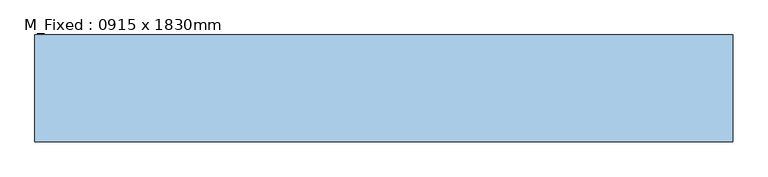
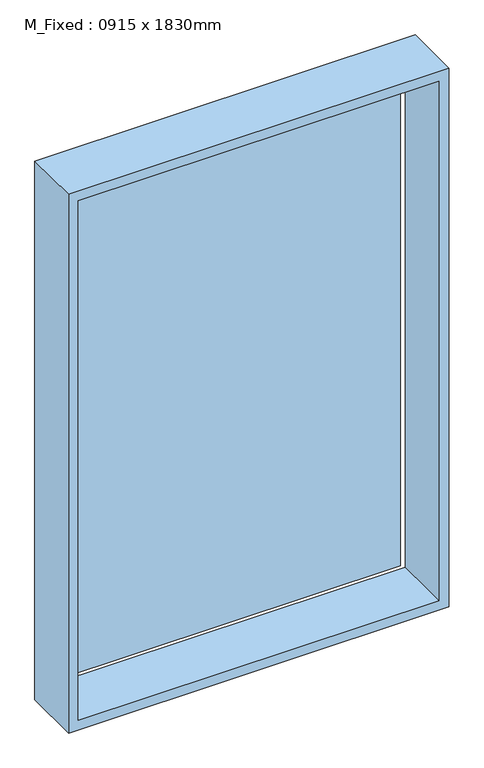
"""IFC4 building model written with IfcOpenShell, lengths in millimetres: window geometry, M_Fixed : 0915 x 1830mm."""

from ifc_helpers import new_model, si_unit, frame, origin, place, context, project, spatial, polyline, outline, extrude, source, transform, mapped, element, save


def m_fixed_0915_x_1830mm_ebc313c0(model_context):
    return source(origin(), model_context, "Body", "SweptSolid", [
        extrude(outline(polyline([(-734.3441477, 36.9934959), (394.5, 36.9934959), (394.5, 24.9934959), (-734.3441477, 24.9934959), (-734.3441477, 36.9934959)])), frame((0.0, 0.0, 368.0), z_axis=(0.0, 0.0, 1.0), x_axis=(1.0, 0.0, 0.0)), (0.0, 0.0, 1.0), 1704.0),
        extrude(outline(polyline([(2135.0, -766.3441477), (305.0, -766.3441477), (305.0, 457.5), (2135.0, 457.5), (2135.0, -766.3441477)]), holes=[polyline([(2103.0, -734.3441477), (2103.0, 425.5), (337.0, 425.5), (337.0, -734.3441477), (2103.0, -734.3441477)])]), frame((0.0, -137.0, 0.0), z_axis=(0.0, 1.0, 0.0), x_axis=(0.0, 0.0, 1.0)), (0.0, 0.0, 1.0), 187.0),
    ])


if __name__ == "__main__":
    model = new_model("IFC4")
    model_context = context("Model", 3, world=origin())
    ifc_project = project(units=[si_unit("LENGTHUNIT", "METRE", prefix="MILLI")], contexts=[model_context])
    site = spatial("IfcSite", under=ifc_project)
    building = spatial("IfcBuilding", under=site)
    placement = place(None, origin())
    m_fixed_0915_x_1830mm_shape = m_fixed_0915_x_1830mm_ebc313c0(model_context)
    element("IfcWindow", 1, ObjectType="M_Fixed : 0915 x 1830mm", at=placement, inside=building, context=model_context, shape_type="MappedRepresentation", body=[
        mapped(m_fixed_0915_x_1830mm_shape, transform((0.0, 0.0, 0.0), x_axis=(1.0, 0.0, 0.0), y_axis=(0.0, 1.0, 0.0), z_axis=(0.0, 0.0, 1.0))),
    ])
    save(model, "model.ifc")
